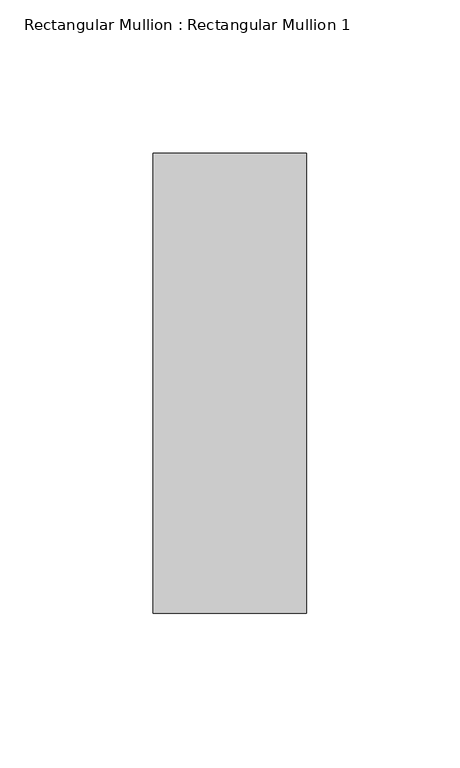
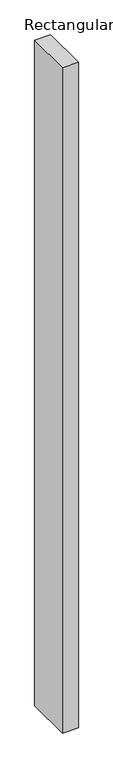
"""IFC4 building model written with IfcOpenShell, lengths in millimetres: member geometry, Rectangular Mullion : Rectangular Mullion 1."""

from ifc_helpers import new_model, si_unit, frame, origin, place, context, project, spatial, polyline, outline, extrude, source, transform, mapped, element, save


def rectangular_mullion_rectangular_mullion_1_792551fd(model_context):
    return source(origin(), model_context, "Body", "SweptSolid", [
        extrude(outline(polyline([(0.0, 75.0), (0.0, -75.0), (-50.0, -75.0), (-50.0, 75.0), (0.0, 75.0)])), frame((0.0, 0.0, -2200.0), z_axis=(0.0, 0.0, 1.0), x_axis=(1.0, 0.0, 0.0)), (0.0, 0.0, 1.0), 2200.0),
    ])


if __name__ == "__main__":
    model = new_model("IFC4")
    model_context = context("Model", 3, world=origin())
    ifc_project = project(units=[si_unit("LENGTHUNIT", "METRE", prefix="MILLI")], contexts=[model_context])
    site = spatial("IfcSite", under=ifc_project)
    building = spatial("IfcBuilding", under=site)
    placement = place(None, origin())
    rectangular_mullion_rectangular_mullion_1_shape = rectangular_mullion_rectangular_mullion_1_792551fd(model_context)
    element("IfcMember", 1, ObjectType="Rectangular Mullion : Rectangular Mullion 1", at=placement, inside=building, context=model_context, shape_type="MappedRepresentation", body=[
        mapped(rectangular_mullion_rectangular_mullion_1_shape, transform((0.0, 0.0, 0.0), x_axis=(1.0, 0.0, 0.0), y_axis=(0.0, 1.0, 0.0), z_axis=(0.0, 0.0, 1.0))),
    ])
    save(model, "model.ifc")
